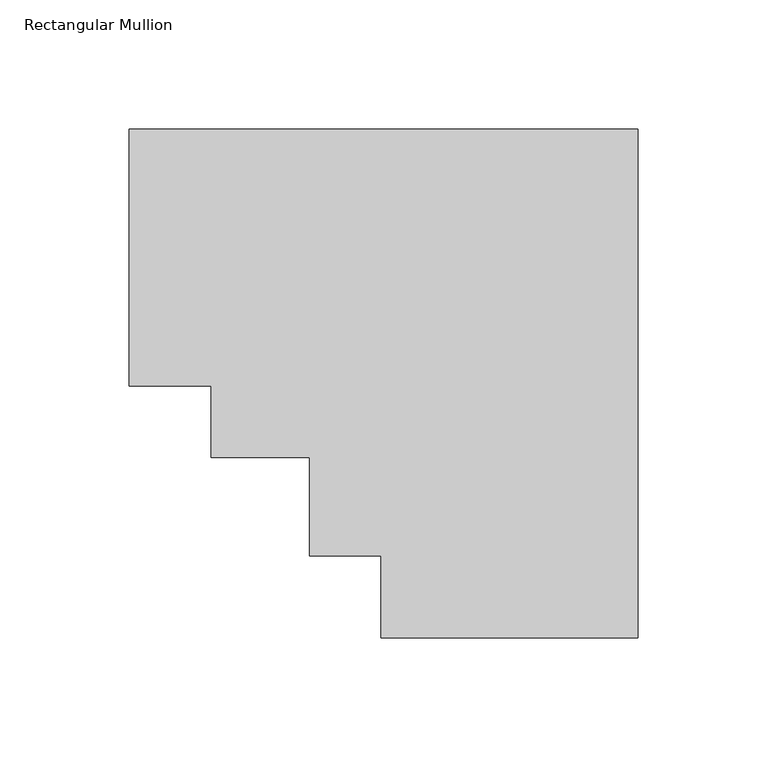
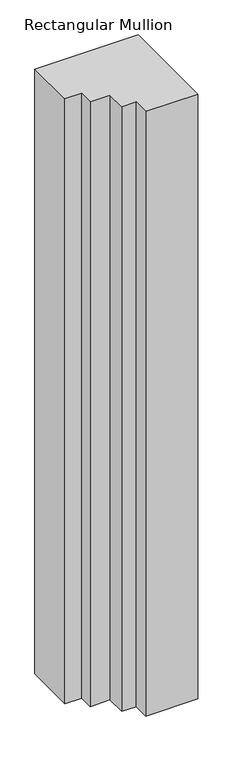
"""IFC4 building model written with IfcOpenShell, lengths in millimetres: member geometry, Rectangular Mullion."""

from ifc_helpers import new_model, si_unit, frame, origin, place, context, project, spatial, polyline, outline, extrude, source, transform, mapped, element, save


def rectangular_mullion_7465b8a1(model_context):
    return source(origin(), model_context, "Body", "SweptSolid", [
        extrude(outline(polyline([(-196.85, 138.7038437), (0.0, 138.7038437), (0.0, -58.1461563), (-99.314, -58.1461563), (-99.314, -26.3961563), (-127.0, -26.3961563), (-127.0, 11.7038437), (-165.1, 11.7038437), (-165.1, 39.3898438), (-196.85, 39.3898438), (-196.85, 138.7038437)])), frame((0.0, 0.0, -1219.2), z_axis=(0.0, 0.0, 1.0), x_axis=(1.0, 0.0, 0.0)), (0.0, 0.0, 1.0), 1219.2),
    ])


if __name__ == "__main__":
    model = new_model("IFC4")
    model_context = context("Model", 3, world=origin())
    ifc_project = project(units=[si_unit("LENGTHUNIT", "METRE", prefix="MILLI")], contexts=[model_context])
    site = spatial("IfcSite", under=ifc_project)
    building = spatial("IfcBuilding", under=site)
    placement = place(None, origin())
    rectangular_mullion_shape = rectangular_mullion_7465b8a1(model_context)
    element("IfcMember", 1, ObjectType="Rectangular Mullion", at=placement, inside=building, context=model_context, shape_type="MappedRepresentation", body=[
        mapped(rectangular_mullion_shape, transform((0.0, 0.0, 0.0), x_axis=(1.0, 0.0, 0.0), y_axis=(0.0, 1.0, 0.0), z_axis=(0.0, 0.0, 1.0))),
    ])
    save(model, "model.ifc")
